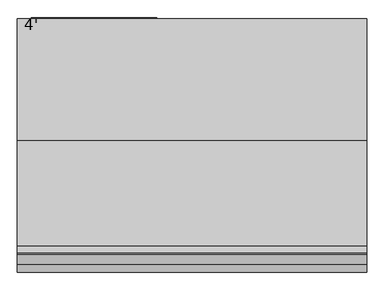
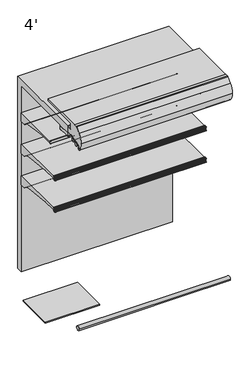
"""IFC4 building model written with IfcOpenShell, lengths in millimetres: proxy geometry, 4'."""

from ifc_helpers import new_model, si_unit, point, frame, frame_2d, origin, place, context, project, spatial, polyline, circle_curve, trimmed, segment, composite_curve, outline, extrude, source, transform, mapped, element, save
from ifc_brep_helpers import plane_surface, cylinder_surface, revolved_surface, advanced_brep


def proxy_4_c6ec7b34(model_context):
    return source(origin(), model_context, "Body", "SolidModel", [
        advanced_brep(
        [(1219.2, -953.4873974, 1188.3336206), (1219.2, -952.5185778, 1188.7146206), (1219.2, -953.6333414, 1191.5492791), (1219.2, -956.6955302, 1193.6427997), (1219.2, -959.1595285, 1193.6508058), (1219.2, -959.1595285, 1165.1089274), (1219.2, -961.2817196, 1162.6035261), (1219.2, -965.5436404, 1161.8992819), (1219.2, -968.2411887, 1165.5176966), (1219.2, -965.1539285, 1178.0739002), (1219.2, -965.1539285, 1193.6508058), (1219.2, -970.314443, 1193.6508058), (1219.2, -971.339509, 1193.1306533), (1219.2, -972.4224632, 1190.8805751), (1219.2, -971.4385536, 1190.6868672), (1219.2, -970.8449745, 1192.2840367), (1219.2, -969.9972085, 1192.4534439), (1219.2, -967.9567396, 1189.3559236), (1219.2, -967.0677396, 1189.3559236), (1219.2, -967.0677396, 1184.5415513), (1219.2, -966.2810398, 1184.3469249), (1219.2, -967.0803293, 1181.1161148), (1219.2, -967.1337108, 1178.0579707), (1219.2, -967.1768859, 1176.9354655), (1219.2, -967.3201998, 1175.2918474), (1219.2, -967.7783843, 1172.5359697), (1219.2, -968.1746064, 1170.9343994), (1219.2, -971.9864246, 1162.6566769), (1219.2, -972.8889174, 1162.7757838), (1219.2, -973.3695256, 1164.2215289), (1219.2, -974.339124, 1163.9575737), (1219.2, -973.9435731, 1162.8065372), (1219.2, -968.3206176, 1159.0474424), (1219.2, -955.7661201, 1161.1134934), (1219.2, -953.1994616, 1163.2422642), (1219.2, -952.2242271, 1165.9215536), (1219.2, -953.2266912, 1166.2864206), (1219.2, -954.0834067, 1164.4981573), (1219.2, -957.704454, 1165.4078872), (1219.2, -957.8263588, 1189.2180727), (1219.2, -954.1516029, 1190.0217197), (0.0, -953.4873974, 1188.3336206), (0.0, -954.1516029, 1190.0217197), (0.0, -957.8263588, 1189.2180727), (0.0, -957.704454, 1165.4078872), (0.0, -954.0834067, 1164.4981573), (0.0, -953.2266912, 1166.2864206), (0.0, -952.2242271, 1165.9215536), (0.0, -953.1994616, 1163.2422642), (0.0, -955.7661201, 1161.1134934), (0.0, -968.3206176, 1159.0474424), (0.0, -973.943554, 1162.8065458), (0.0, -974.339124, 1163.9575737), (0.0, -973.3695256, 1164.2215289), (0.0, -972.8889174, 1162.7757838), (0.0, -971.9864527, 1162.6566957), (0.0, -968.1746064, 1170.9343994), (0.0, -967.7783843, 1172.5359697), (0.0, -967.3201998, 1175.2918474), (0.0, -967.1768859, 1176.9354655), (0.0, -967.1337108, 1178.0579707), (0.0, -967.0803293, 1181.1161148), (0.0, -966.2810398, 1184.3469249), (0.0, -967.0677396, 1184.5415513), (0.0, -967.0677396, 1189.3559236), (0.0, -967.9567396, 1189.3559236), (0.0, -969.9972022, 1192.4534498), (0.0, -970.8449745, 1192.2840367), (0.0, -971.4385536, 1190.6868672), (0.0, -972.4224582, 1190.8805738), (0.0, -971.3395219, 1193.1306627), (0.0, -970.314443, 1193.6507933), (0.0, -965.1539285, 1193.6508058), (0.0, -965.1539285, 1178.0739002), (0.0, -968.2411887, 1165.5176966), (0.0, -965.5436404, 1161.8992819), (0.0, -961.2817196, 1162.6035261), (0.0, -959.1595285, 1165.1089274), (0.0, -959.1595285, 1193.6508058), (0.0, -956.6955302, 1193.6427997), (0.0, -953.6333414, 1191.5492791), (0.0, -952.5185778, 1188.7146206)],
        [
            (0, 1),
            (1, 2),
            (2, 3, circle_curve(frame((1219.2, -956.7062592, 1190.3408171), z_axis=(1.0, 0.0, 0.0), x_axis=(0.0, 1.0, 0.0)), 3.302)),
            (3, 4),
            (4, 5),
            (5, 6, circle_curve(frame((1219.2, -961.6995285, 1165.1089274), z_axis=(-1.0, 0.0, 0.0), x_axis=(0.0, 1.0, 0.0)), 2.54)),
            (6, 7),
            (7, 8, circle_curve(frame((1219.2, -965.9577369, 1164.4052966), z_axis=(-1.0, 0.0, 0.0), x_axis=(0.0, 1.0, 0.0)), 2.5399972)),
            (8, 9, circle_curve(frame((1219.2, -996.6337496, 1179.1563681), z_axis=(1.0, 0.0, 0.0), x_axis=(0.0, 1.0, 0.0)), 31.4984265)),
            (9, 10),
            (10, 11),
            (11, 12, circle_curve(frame((1219.2, -970.3145227, 1192.3808058), z_axis=(1.0, 0.0, 0.0), x_axis=(0.0, 1.0, 0.0)), 1.2699874)),
            (12, 13, circle_curve(frame((1219.2, -965.8048035, 1189.0812188), z_axis=(1.0, 0.0, 0.0), x_axis=(0.0, 1.0, 0.0)), 6.8579226)),
            (13, 14, circle_curve(frame((1219.2, -971.9374049, 1190.748678), z_axis=(1.0, 0.0, 0.0), x_axis=(0.0, 1.0, 0.0)), 0.5026661)),
            (14, 15),
            (15, 16, circle_curve(frame((1219.2, -970.3688025, 1192.10707), z_axis=(-1.0, 0.0, 0.0), x_axis=(0.0, 1.0, 0.0)), 0.5079931)),
            (16, 17, circle_curve(frame((1219.2, -978.1160311, 1184.8844276), z_axis=(-1.0, 0.0, 0.0), x_axis=(0.0, 1.0, 0.0)), 11.0997964)),
            (17, 18),
            (18, 19),
            (19, 20),
            (20, 21),
            (21, 22),
            (22, 23, circle_curve(frame((1219.2, -995.7036769, 1178.594778), z_axis=(-1.0, 0.0, 0.0), x_axis=(0.0, 1.0, 0.0)), 28.5750087)),
            (23, 24, circle_curve(frame((1219.2, -967.6415419, 1176.1479236), z_axis=(-1.0, 0.0, 0.0), x_axis=(0.0, 1.0, 0.0)), 0.9144)),
            (24, 25, circle_curve(frame((1219.2, -995.7036769, 1178.594778), z_axis=(-1.0, 0.0, 0.0), x_axis=(0.0, 1.0, 0.0)), 28.5750087)),
            (25, 26, circle_curve(frame((1219.2, -968.3594405, 1171.8299236), z_axis=(-1.0, 0.0, 0.0), x_axis=(0.0, 1.0, 0.0)), 0.9144)),
            (26, 27, circle_curve(frame((1219.2, -995.7036769, 1178.594778), z_axis=(-1.0, 0.0, 0.0), x_axis=(0.0, 1.0, 0.0)), 28.5750087)),
            (27, 28, circle_curve(frame((1219.2, -972.4081685, 1162.9399198), z_axis=(-1.0, 0.0, 0.0), x_axis=(0.0, 1.0, 0.0)), 0.5079962)),
            (28, 29),
            (29, 30, circle_curve(frame((1219.2, -973.8504313, 1164.075249), z_axis=(1.0, 0.0, 0.0), x_axis=(0.0, 1.0, 0.0)), 0.502661)),
            (30, 31, circle_curve(frame((1219.2, -967.6812793, 1165.602043), z_axis=(1.0, 0.0, 0.0), x_axis=(0.0, 1.0, 0.0)), 6.857928)),
            (31, 32, circle_curve(frame((1219.2, -968.1450833, 1165.3950076), z_axis=(1.0, 0.0, 0.0), x_axis=(0.0, 1.0, 0.0)), 6.3499919)),
            (32, 33),
            (33, 34, circle_curve(frame((1219.2, -956.302307, 1164.3716689), z_axis=(1.0, 0.0, 0.0), x_axis=(0.0, 1.0, 0.0)), 3.302)),
            (34, 35),
            (35, 36),
            (36, 37),
            (37, 38, circle_curve(frame((1219.2, -955.8014264, 1165.3212206), z_axis=(-1.0, 0.0, 0.0), x_axis=(0.0, 1.0, 0.0)), 1.905)),
            (38, 39, circle_curve(frame((1219.2, -1192.7045275, 1176.1101246), z_axis=(1.0, 0.0, 0.0), x_axis=(0.0, 1.0, 0.0)), 235.2436449)),
            (39, 40, circle_curve(frame((1219.2, -955.9243184, 1189.3242206), z_axis=(-1.0, 0.0, 0.0), x_axis=(0.0, 1.0, 0.0)), 1.905)),
            (40, 0),
            (41, 42),
            (42, 43, circle_curve(frame((0.0, -955.9243184, 1189.3242206), z_axis=(1.0, 0.0, 0.0), x_axis=(0.0, 1.0, 0.0)), 1.905)),
            (43, 44, circle_curve(frame((0.0, -1192.7045275, 1176.1101246), z_axis=(-1.0, 0.0, 0.0), x_axis=(0.0, 1.0, 0.0)), 235.2436449)),
            (44, 45, circle_curve(frame((0.0, -955.8014264, 1165.3212206), z_axis=(1.0, 0.0, 0.0), x_axis=(0.0, 1.0, 0.0)), 1.905)),
            (45, 46),
            (46, 47),
            (47, 48),
            (48, 49, circle_curve(frame((0.0, -956.302307, 1164.3716689), z_axis=(-1.0, 0.0, 0.0), x_axis=(0.0, 1.0, 0.0)), 3.302)),
            (49, 50),
            (50, 51, circle_curve(frame((0.0, -968.1450833, 1165.3950076), z_axis=(-1.0, 0.0, 0.0), x_axis=(0.0, 1.0, 0.0)), 6.3499919)),
            (51, 52, circle_curve(frame((0.0, -967.6812793, 1165.602043), z_axis=(-1.0, 0.0, 0.0), x_axis=(0.0, 1.0, 0.0)), 6.857928)),
            (52, 53, circle_curve(frame((0.0, -973.8504313, 1164.075249), z_axis=(-1.0, 0.0, 0.0), x_axis=(0.0, 1.0, 0.0)), 0.502661)),
            (53, 54),
            (54, 55, circle_curve(frame((0.0, -972.4081685, 1162.9399198), z_axis=(1.0, 0.0, 0.0), x_axis=(0.0, 1.0, 0.0)), 0.5079962)),
            (55, 56, circle_curve(frame((0.0, -995.7036769, 1178.594778), z_axis=(1.0, 0.0, 0.0), x_axis=(0.0, 1.0, 0.0)), 28.5750087)),
            (56, 57, circle_curve(frame((0.0, -968.3594405, 1171.8299236), z_axis=(1.0, 0.0, 0.0), x_axis=(0.0, 1.0, 0.0)), 0.9144)),
            (57, 58, circle_curve(frame((0.0, -995.7036769, 1178.594778), z_axis=(1.0, 0.0, 0.0), x_axis=(0.0, 1.0, 0.0)), 28.5750087)),
            (58, 59, circle_curve(frame((0.0, -967.6415419, 1176.1479236), z_axis=(1.0, 0.0, 0.0), x_axis=(0.0, 1.0, 0.0)), 0.9144)),
            (59, 60, circle_curve(frame((0.0, -995.7036769, 1178.594778), z_axis=(1.0, 0.0, 0.0), x_axis=(0.0, 1.0, 0.0)), 28.5750087)),
            (60, 61),
            (61, 62),
            (62, 63),
            (63, 64),
            (64, 65),
            (65, 66, circle_curve(frame((0.0, -978.1160311, 1184.8844276), z_axis=(1.0, 0.0, 0.0), x_axis=(0.0, 1.0, 0.0)), 11.0997964)),
            (66, 67, circle_curve(frame((0.0, -970.3688025, 1192.10707), z_axis=(1.0, 0.0, 0.0), x_axis=(0.0, 1.0, 0.0)), 0.5079931)),
            (67, 68),
            (68, 69, circle_curve(frame((0.0, -971.9374049, 1190.748678), z_axis=(-1.0, 0.0, 0.0), x_axis=(0.0, 1.0, 0.0)), 0.5026661)),
            (69, 70, circle_curve(frame((0.0, -965.8048035, 1189.0812188), z_axis=(-1.0, 0.0, 0.0), x_axis=(0.0, 1.0, 0.0)), 6.8579226)),
            (70, 71, circle_curve(frame((0.0, -970.3145227, 1192.3808058), z_axis=(-1.0, 0.0, 0.0), x_axis=(0.0, 1.0, 0.0)), 1.2699874)),
            (71, 72),
            (72, 73),
            (73, 74, circle_curve(frame((0.0, -996.6337496, 1179.1563681), z_axis=(-1.0, 0.0, 0.0), x_axis=(0.0, 1.0, 0.0)), 31.4984265)),
            (74, 75, circle_curve(frame((0.0, -965.9577369, 1164.4052966), z_axis=(1.0, 0.0, 0.0), x_axis=(0.0, 1.0, 0.0)), 2.5399972)),
            (75, 76),
            (76, 77, circle_curve(frame((0.0, -961.6995285, 1165.1089274), z_axis=(1.0, 0.0, 0.0), x_axis=(0.0, 1.0, 0.0)), 2.54)),
            (77, 78),
            (78, 79),
            (79, 80, circle_curve(frame((0.0, -956.7062592, 1190.3408171), z_axis=(-1.0, 0.0, 0.0), x_axis=(0.0, 1.0, 0.0)), 3.302)),
            (80, 81),
            (81, 41),
            (0, 41),
            (81, 1),
            (80, 2),
            (79, 3),
            (78, 4),
            (77, 5),
            (76, 6),
            (75, 7),
            (74, 8),
            (73, 9),
            (72, 10),
            (71, 11),
            (70, 12),
            (69, 13),
            (68, 14),
            (67, 15),
            (66, 16),
            (65, 17),
            (64, 18),
            (63, 19),
            (62, 20),
            (61, 21),
            (60, 22),
            (59, 23),
            (58, 24),
            (57, 25),
            (56, 26),
            (55, 27),
            (54, 28),
            (53, 29),
            (52, 30),
            (51, 31),
            (50, 32),
            (49, 33),
            (48, 34),
            (47, 35),
            (46, 36),
            (45, 37),
            (44, 38),
            (43, 39),
            (42, 40),
        ],
        [
            plane_surface(frame((1219.2, -952.5185778, 1188.7146206), z_axis=(1.0, 0.0, 0.0), x_axis=(0.0, 0.9306231900674232, 0.3659787946162082))),
            plane_surface(frame((0.0, -952.5185778, 1188.7146206), z_axis=(-1.0, 0.0, 0.0), x_axis=(0.0, -0.9306231900674232, -0.3659787946162082))),
            plane_surface(frame((1219.2, -953.4873974, 1188.3336206), z_axis=(0.0, 0.3659787946162082, -0.9306231900674232), x_axis=(-1.0, 0.0, 0.0))),
            plane_surface(frame((1219.2, -952.5185778, 1188.7146206), z_axis=(0.0, 0.9306231900759704, 0.3659787945944743), x_axis=(-1.0, 0.0, 0.0))),
            cylinder_surface(frame((0.0, -956.7062592, 1190.3408171), z_axis=(1.0, 0.0, 0.0), x_axis=(0.0, 1.0, 0.0)), 3.302),
            plane_surface(frame((1219.2, -956.6955302, 1193.6427997), z_axis=(0.0, 0.0032492421037266625, 0.9999947211989428), x_axis=(-1.0, 0.0, 0.0))),
            plane_surface(frame((1219.2, -959.1595285, 1193.6508058), z_axis=(0.0, -1.0, 0.0), x_axis=(-1.0, 0.0, 0.0))),
            revolved_surface(polyline([(0.0, -959.1595285000001, 1165.1089274), (1219.2, -959.1595285000001, 1165.1089274)]), (0.0, -961.6995285, 1165.1089274), (-1.0, 0.0, 0.0)),
            plane_surface(frame((1219.2, -961.2817196, 1162.6035261), z_axis=(0.0, -0.16303029417408857, 0.9866210636214444), x_axis=(-1.0, 0.0, 0.0))),
            revolved_surface(polyline([(0.0, -963.4177397, 1164.4052966), (1219.2, -963.4177397, 1164.4052966)]), (0.0, -965.9577369, 1164.4052966), (-1.0, 0.0, 0.0)),
            cylinder_surface(frame((0.0, -996.6337496, 1179.1563681), z_axis=(1.0, 0.0, 0.0), x_axis=(0.0, 1.0, 0.0)), 31.4984265),
            plane_surface(frame((1219.2, -965.1539285, 1178.0739002), z_axis=(0.0, 1.0, 0.0), x_axis=(-1.0, 0.0, 0.0))),
            plane_surface(frame((1219.2, -965.1539285, 1193.6508058), z_axis=(0.0, -1.119160319973389e-12, 1.0), x_axis=(-1.0, 0.0, 0.0))),
            cylinder_surface(frame((0.0, -970.3145227, 1192.3808058), z_axis=(1.0, 0.0, 0.0), x_axis=(0.0, 1.0, 0.0)), 1.2699874),
            cylinder_surface(frame((0.0, -965.8048035, 1189.0812188), z_axis=(1.0, 0.0, 0.0), x_axis=(0.0, 1.0, 0.0)), 6.8579226),
            cylinder_surface(frame((0.0, -971.9374049, 1190.748678), z_axis=(1.0, 0.0, 0.0), x_axis=(0.0, 1.0, 0.0)), 0.5026661),
            plane_surface(frame((1219.2, -971.4385536, 1190.6868672), z_axis=(0.0, 0.9373592211117492, -0.34836430729449747), x_axis=(-1.0, 0.0, 0.0))),
            revolved_surface(polyline([(0.0, -969.8608094, 1192.10707), (1219.2, -969.8608094, 1192.10707)]), (0.0, -970.3688025, 1192.10707), (-1.0, 0.0, 0.0)),
            revolved_surface(polyline([(0.0, -967.0162347, 1184.8844276), (1219.2, -967.0162347, 1184.8844276)]), (0.0, -978.1160311, 1184.8844276), (-1.0, 0.0, 0.0)),
            plane_surface(frame((1219.2, -967.9567396, 1189.3559236), z_axis=(0.0, 3.0451831539108525e-12, -1.0), x_axis=(-1.0, 0.0, 0.0))),
            plane_surface(frame((1219.2, -967.0677396, 1189.3559236), z_axis=(0.0, -1.0, 0.0), x_axis=(-1.0, 0.0, 0.0))),
            plane_surface(frame((1219.2, -967.0677396, 1184.5415513), z_axis=(0.0, -0.24015578728041675, -0.9707343600778348), x_axis=(-1.0, 0.0, 0.0))),
            plane_surface(frame((1219.2, -966.2810398, 1184.3469249), z_axis=(0.0, -0.9707343600778283, 0.2401557872804431), x_axis=(-1.0, 0.0, 0.0))),
            plane_surface(frame((1219.2, -967.0803293, 1181.1161148), z_axis=(0.0, -0.999847686821456, 0.017452883938876028), x_axis=(-1.0, 0.0, 0.0))),
            revolved_surface(polyline([(0.0, -967.1286682, 1178.594778), (1219.2, -967.1286682, 1178.594778)]), (0.0, -995.7036769, 1178.594778), (-1.0, 0.0, 0.0)),
            revolved_surface(polyline([(0.0, -966.7271419, 1176.1479236), (1219.2, -966.7271419, 1176.1479236)]), (0.0, -967.6415419, 1176.1479236), (-1.0, 0.0, 0.0)),
            revolved_surface(polyline([(0.0, -967.4450405, 1171.8299236), (1219.2, -967.4450405, 1171.8299236)]), (0.0, -968.3594405, 1171.8299236), (-1.0, 0.0, 0.0)),
            revolved_surface(polyline([(0.0, -971.9001723, 1162.9399198), (1219.2, -971.9001723, 1162.9399198)]), (0.0, -972.4081685, 1162.9399198), (-1.0, 0.0, 0.0)),
            plane_surface(frame((1219.2, -972.8889174, 1162.7757838), z_axis=(0.0, 0.9489403078347877, 0.31545568970367077), x_axis=(-1.0, 0.0, 0.0))),
            cylinder_surface(frame((0.0, -973.8504313, 1164.075249), z_axis=(1.0, 0.0, 0.0), x_axis=(0.0, 1.0, 0.0)), 0.502661),
            cylinder_surface(frame((0.0, -967.6812793, 1165.602043), z_axis=(1.0, 0.0, 0.0), x_axis=(0.0, 1.0, 0.0)), 6.857928),
            cylinder_surface(frame((0.0, -968.1450833, 1165.3950076), z_axis=(1.0, 0.0, 0.0), x_axis=(0.0, 1.0, 0.0)), 6.3499919),
            plane_surface(frame((1219.2, -968.3206176, 1159.0474424), z_axis=(0.0, 0.16238245504538304, -0.986727894757939), x_axis=(-1.0, 0.0, 0.0))),
            cylinder_surface(frame((0.0, -956.302307, 1164.3716689), z_axis=(1.0, 0.0, 0.0), x_axis=(0.0, 1.0, 0.0)), 3.302),
            plane_surface(frame((1219.2, -953.1994616, 1163.2422642), z_axis=(0.0, 0.9396866512804775, -0.3420365439617273), x_axis=(-1.0, 0.0, 0.0))),
            plane_surface(frame((1219.2, -952.2242271, 1165.9215536), z_axis=(0.0, 0.342020143308865, 0.9396926207920244), x_axis=(-1.0, 0.0, 0.0))),
            plane_surface(frame((1219.2, -953.2266912, 1166.2864206), z_axis=(0.0, -0.901847608486837, 0.43205426865912666), x_axis=(-1.0, 0.0, 0.0))),
            revolved_surface(polyline([(0.0, -953.8964264, 1165.3212206), (1219.2, -953.8964264, 1165.3212206)]), (0.0, -955.8014264, 1165.3212206), (-1.0, 0.0, 0.0)),
            cylinder_surface(frame((0.0, -1192.7045275, 1176.1101246), z_axis=(1.0, 0.0, 0.0), x_axis=(0.0, 1.0, 0.0)), 235.2436449),
            revolved_surface(polyline([(0.0, -954.0193184, 1189.3242206), (1219.2, -954.0193184, 1189.3242206)]), (0.0, -955.9243184, 1189.3242206), (-1.0, 0.0, 0.0)),
            plane_surface(frame((1219.2, -954.1516029, 1190.0217197), z_axis=(0.0, -0.9305593005414599, -0.3661412134351841), x_axis=(-1.0, 0.0, 0.0))),
        ],
        [
            (0, [[1, 2, 3, 4, 5, 6, 7, 8, 9, 10, 11, 12, 13, 14, 15, 16, 17, 18, 19, 20, 21, 22, 23, 24, 25, 26, 27, 28, 29, 30, 31, 32, 33, 34, 35, 36, 37, 38, 39, 40, 41]]),
            (1, [[42, 43, 44, 45, 46, 47, 48, 49, 50, 51, 52, 53, 54, 55, 56, 57, 58, 59, 60, 61, 62, 63, 64, 65, 66, 67, 68, 69, 70, 71, 72, 73, 74, 75, 76, 77, 78, 79, 80, 81, 82]]),
            (2, [[-1, 83, -82, 84]]),
            (3, [[-2, -84, -81, 85]]),
            (4, [[-3, -85, -80, 86]]),
            (5, [[-4, -86, -79, 87]]),
            (6, [[-5, -87, -78, 88]]),
            (7, [[-6, -88, -77, 89]]),
            (8, [[-7, -89, -76, 90]]),
            (9, [[-8, -90, -75, 91]]),
            (10, [[-9, -91, -74, 92]]),
            (11, [[-10, -92, -73, 93]]),
            (12, [[-11, -93, -72, 94]]),
            (13, [[-12, -94, -71, 95]]),
            (14, [[-13, -95, -70, 96]]),
            (15, [[-14, -96, -69, 97]]),
            (16, [[-15, -97, -68, 98]]),
            (17, [[-16, -98, -67, 99]]),
            (18, [[-17, -99, -66, 100]]),
            (19, [[-18, -100, -65, 101]]),
            (20, [[-19, -101, -64, 102]]),
            (21, [[-20, -102, -63, 103]]),
            (22, [[-21, -103, -62, 104]]),
            (23, [[-22, -104, -61, 105]]),
            (24, [[-23, -105, -60, 106]]),
            (25, [[-24, -106, -59, 107]]),
            (24, [[-25, -107, -58, 108]]),
            (26, [[-26, -108, -57, 109]]),
            (24, [[-27, -109, -56, 110]]),
            (27, [[-28, -110, -55, 111]]),
            (28, [[-29, -111, -54, 112]]),
            (29, [[-30, -112, -53, 113]]),
            (30, [[-31, -113, -52, 114]]),
            (31, [[-32, -114, -51, 115]]),
            (32, [[-33, -115, -50, 116]]),
            (33, [[-34, -116, -49, 117]]),
            (34, [[-35, -117, -48, 118]]),
            (35, [[-36, -118, -47, 119]]),
            (36, [[-37, -119, -46, 120]]),
            (37, [[-38, -120, -45, 121]]),
            (38, [[-39, -121, -44, 122]]),
            (39, [[-40, -122, -43, 123]]),
            (40, [[-41, -123, -42, -83]]),
        ],
    ),
        advanced_brep(
        [(1219.2, -953.4873974, 1456.3997549), (1219.2, -952.5185778, 1456.7807549), (1219.2, -953.6333414, 1459.6154133), (1219.2, -956.6955302, 1461.7089339), (1219.2, -959.1595285, 1461.7169401), (1219.2, -959.1595285, 1433.1750617), (1219.2, -961.2817196, 1430.6696604), (1219.2, -965.5436404, 1429.9654161), (1219.2, -968.2411887, 1433.5838309), (1219.2, -965.1539285, 1446.1400345), (1219.2, -965.1539285, 1461.7169401), (1219.2, -970.314443, 1461.7169401), (1219.2, -971.339509, 1461.1967875), (1219.2, -972.4224632, 1458.9467094), (1219.2, -971.4385536, 1458.7530014), (1219.2, -970.8449745, 1460.350171), (1219.2, -969.9972085, 1460.5195782), (1219.2, -967.9567396, 1457.4220579), (1219.2, -967.0677396, 1457.4220579), (1219.2, -967.0677396, 1452.6076856), (1219.2, -966.2810398, 1452.4130592), (1219.2, -967.0803293, 1449.1822491), (1219.2, -967.1337108, 1446.124105), (1219.2, -967.1768859, 1445.0015997), (1219.2, -967.3201998, 1443.3579816), (1219.2, -967.7783843, 1440.602104), (1219.2, -968.1746064, 1439.0005336), (1219.2, -971.9864246, 1430.7228111), (1219.2, -972.8889174, 1430.8419181), (1219.2, -973.3695256, 1432.2876631), (1219.2, -974.339124, 1432.0237079), (1219.2, -973.9435731, 1430.8726715), (1219.2, -968.3206176, 1427.1135766), (1219.2, -955.7661201, 1429.1796276), (1219.2, -953.1994616, 1431.3083984), (1219.2, -952.2242271, 1433.9876878), (1219.2, -953.2266912, 1434.3525549), (1219.2, -954.0834067, 1432.5642915), (1219.2, -957.704454, 1433.4740215), (1219.2, -957.8263588, 1457.2842069), (1219.2, -954.1516029, 1458.0878539), (0.0, -953.4873974, 1456.3997549), (0.0, -954.1516029, 1458.0878539), (0.0, -957.8263588, 1457.2842069), (0.0, -957.704454, 1433.4740215), (0.0, -954.0834067, 1432.5642915), (0.0, -953.2266912, 1434.3525549), (0.0, -952.2242271, 1433.9876878), (0.0, -953.1994616, 1431.3083984), (0.0, -955.7661201, 1429.1796276), (0.0, -968.3206176, 1427.1135766), (0.0, -973.943554, 1430.87268), (0.0, -974.339124, 1432.0237079), (0.0, -973.3695256, 1432.2876631), (0.0, -972.8889174, 1430.8419181), (0.0, -971.9864527, 1430.7228299), (0.0, -968.1746064, 1439.0005336), (0.0, -967.7783843, 1440.602104), (0.0, -967.3201998, 1443.3579816), (0.0, -967.1768859, 1445.0015997), (0.0, -967.1337108, 1446.124105), (0.0, -967.0803293, 1449.1822491), (0.0, -966.2810398, 1452.4130592), (0.0, -967.0677396, 1452.6076856), (0.0, -967.0677396, 1457.4220579), (0.0, -967.9567396, 1457.4220579), (0.0, -969.9972022, 1460.5195841), (0.0, -970.8449745, 1460.350171), (0.0, -971.4385536, 1458.7530014), (0.0, -972.4224582, 1458.946708), (0.0, -971.3395219, 1461.1967969), (0.0, -970.314443, 1461.7169275), (0.0, -965.1539285, 1461.7169401), (0.0, -965.1539285, 1446.1400345), (0.0, -968.2411887, 1433.5838309), (0.0, -965.5436404, 1429.9654161), (0.0, -961.2817196, 1430.6696604), (0.0, -959.1595285, 1433.1750617), (0.0, -959.1595285, 1461.7169401), (0.0, -956.6955302, 1461.7089339), (0.0, -953.6333414, 1459.6154133), (0.0, -952.5185778, 1456.7807549)],
        [
            (0, 1),
            (1, 2),
            (2, 3, circle_curve(frame((1219.2, -956.7062592, 1458.4069514), z_axis=(1.0, 0.0, 0.0), x_axis=(0.0, 1.0, 0.0)), 3.302)),
            (3, 4),
            (4, 5),
            (5, 6, circle_curve(frame((1219.2, -961.6995285, 1433.1750617), z_axis=(-1.0, 0.0, 0.0), x_axis=(0.0, 1.0, 0.0)), 2.54)),
            (6, 7),
            (7, 8, circle_curve(frame((1219.2, -965.9577369, 1432.4714309), z_axis=(-1.0, 0.0, 0.0), x_axis=(0.0, 1.0, 0.0)), 2.5399972)),
            (8, 9, circle_curve(frame((1219.2, -996.6337496, 1447.2225023), z_axis=(1.0, 0.0, 0.0), x_axis=(0.0, 1.0, 0.0)), 31.4984265)),
            (9, 10),
            (10, 11),
            (11, 12, circle_curve(frame((1219.2, -970.3145227, 1460.4469401), z_axis=(1.0, 0.0, 0.0), x_axis=(0.0, 1.0, 0.0)), 1.2699874)),
            (12, 13, circle_curve(frame((1219.2, -965.8048035, 1457.1473531), z_axis=(1.0, 0.0, 0.0), x_axis=(0.0, 1.0, 0.0)), 6.8579226)),
            (13, 14, circle_curve(frame((1219.2, -971.9374049, 1458.8148123), z_axis=(1.0, 0.0, 0.0), x_axis=(0.0, 1.0, 0.0)), 0.5026661)),
            (14, 15),
            (15, 16, circle_curve(frame((1219.2, -970.3688025, 1460.1732043), z_axis=(-1.0, 0.0, 0.0), x_axis=(0.0, 1.0, 0.0)), 0.5079931)),
            (16, 17, circle_curve(frame((1219.2, -978.1160311, 1452.9505619), z_axis=(-1.0, 0.0, 0.0), x_axis=(0.0, 1.0, 0.0)), 11.0997964)),
            (17, 18),
            (18, 19),
            (19, 20),
            (20, 21),
            (21, 22),
            (22, 23, circle_curve(frame((1219.2, -995.7036769, 1446.6609123), z_axis=(-1.0, 0.0, 0.0), x_axis=(0.0, 1.0, 0.0)), 28.5750087)),
            (23, 24, circle_curve(frame((1219.2, -967.6415419, 1444.2140579), z_axis=(-1.0, 0.0, 0.0), x_axis=(0.0, 1.0, 0.0)), 0.9144)),
            (24, 25, circle_curve(frame((1219.2, -995.7036769, 1446.6609123), z_axis=(-1.0, 0.0, 0.0), x_axis=(0.0, 1.0, 0.0)), 28.5750087)),
            (25, 26, circle_curve(frame((1219.2, -968.3594405, 1439.8960579), z_axis=(-1.0, 0.0, 0.0), x_axis=(0.0, 1.0, 0.0)), 0.9144)),
            (26, 27, circle_curve(frame((1219.2, -995.7036769, 1446.6609123), z_axis=(-1.0, 0.0, 0.0), x_axis=(0.0, 1.0, 0.0)), 28.5750087)),
            (27, 28, circle_curve(frame((1219.2, -972.4081685, 1431.0060541), z_axis=(-1.0, 0.0, 0.0), x_axis=(0.0, 1.0, 0.0)), 0.5079962)),
            (28, 29),
            (29, 30, circle_curve(frame((1219.2, -973.8504313, 1432.1413833), z_axis=(1.0, 0.0, 0.0), x_axis=(0.0, 1.0, 0.0)), 0.502661)),
            (30, 31, circle_curve(frame((1219.2, -967.6812793, 1433.6681773), z_axis=(1.0, 0.0, 0.0), x_axis=(0.0, 1.0, 0.0)), 6.857928)),
            (31, 32, circle_curve(frame((1219.2, -968.1450833, 1433.4611419), z_axis=(1.0, 0.0, 0.0), x_axis=(0.0, 1.0, 0.0)), 6.3499919)),
            (32, 33),
            (33, 34, circle_curve(frame((1219.2, -956.302307, 1432.4378031), z_axis=(1.0, 0.0, 0.0), x_axis=(0.0, 1.0, 0.0)), 3.302)),
            (34, 35),
            (35, 36),
            (36, 37),
            (37, 38, circle_curve(frame((1219.2, -955.8014264, 1433.3873549), z_axis=(-1.0, 0.0, 0.0), x_axis=(0.0, 1.0, 0.0)), 1.905)),
            (38, 39, circle_curve(frame((1219.2, -1192.7045275, 1444.1762589), z_axis=(1.0, 0.0, 0.0), x_axis=(0.0, 1.0, 0.0)), 235.2436449)),
            (39, 40, circle_curve(frame((1219.2, -955.9243184, 1457.3903549), z_axis=(-1.0, 0.0, 0.0), x_axis=(0.0, 1.0, 0.0)), 1.905)),
            (40, 0),
            (41, 42),
            (42, 43, circle_curve(frame((0.0, -955.9243184, 1457.3903549), z_axis=(1.0, 0.0, 0.0), x_axis=(0.0, 1.0, 0.0)), 1.905)),
            (43, 44, circle_curve(frame((0.0, -1192.7045275, 1444.1762589), z_axis=(-1.0, 0.0, 0.0), x_axis=(0.0, 1.0, 0.0)), 235.2436449)),
            (44, 45, circle_curve(frame((0.0, -955.8014264, 1433.3873549), z_axis=(1.0, 0.0, 0.0), x_axis=(0.0, 1.0, 0.0)), 1.905)),
            (45, 46),
            (46, 47),
            (47, 48),
            (48, 49, circle_curve(frame((0.0, -956.302307, 1432.4378031), z_axis=(-1.0, 0.0, 0.0), x_axis=(0.0, 1.0, 0.0)), 3.302)),
            (49, 50),
            (50, 51, circle_curve(frame((0.0, -968.1450833, 1433.4611419), z_axis=(-1.0, 0.0, 0.0), x_axis=(0.0, 1.0, 0.0)), 6.3499919)),
            (51, 52, circle_curve(frame((0.0, -967.6812793, 1433.6681773), z_axis=(-1.0, 0.0, 0.0), x_axis=(0.0, 1.0, 0.0)), 6.857928)),
            (52, 53, circle_curve(frame((0.0, -973.8504313, 1432.1413833), z_axis=(-1.0, 0.0, 0.0), x_axis=(0.0, 1.0, 0.0)), 0.502661)),
            (53, 54),
            (54, 55, circle_curve(frame((0.0, -972.4081685, 1431.0060541), z_axis=(1.0, 0.0, 0.0), x_axis=(0.0, 1.0, 0.0)), 0.5079962)),
            (55, 56, circle_curve(frame((0.0, -995.7036769, 1446.6609123), z_axis=(1.0, 0.0, 0.0), x_axis=(0.0, 1.0, 0.0)), 28.5750087)),
            (56, 57, circle_curve(frame((0.0, -968.3594405, 1439.8960579), z_axis=(1.0, 0.0, 0.0), x_axis=(0.0, 1.0, 0.0)), 0.9144)),
            (57, 58, circle_curve(frame((0.0, -995.7036769, 1446.6609123), z_axis=(1.0, 0.0, 0.0), x_axis=(0.0, 1.0, 0.0)), 28.5750087)),
            (58, 59, circle_curve(frame((0.0, -967.6415419, 1444.2140579), z_axis=(1.0, 0.0, 0.0), x_axis=(0.0, 1.0, 0.0)), 0.9144)),
            (59, 60, circle_curve(frame((0.0, -995.7036769, 1446.6609123), z_axis=(1.0, 0.0, 0.0), x_axis=(0.0, 1.0, 0.0)), 28.5750087)),
            (60, 61),
            (61, 62),
            (62, 63),
            (63, 64),
            (64, 65),
            (65, 66, circle_curve(frame((0.0, -978.1160311, 1452.9505619), z_axis=(1.0, 0.0, 0.0), x_axis=(0.0, 1.0, 0.0)), 11.0997964)),
            (66, 67, circle_curve(frame((0.0, -970.3688025, 1460.1732043), z_axis=(1.0, 0.0, 0.0), x_axis=(0.0, 1.0, 0.0)), 0.5079931)),
            (67, 68),
            (68, 69, circle_curve(frame((0.0, -971.9374049, 1458.8148123), z_axis=(-1.0, 0.0, 0.0), x_axis=(0.0, 1.0, 0.0)), 0.5026661)),
            (69, 70, circle_curve(frame((0.0, -965.8048035, 1457.1473531), z_axis=(-1.0, 0.0, 0.0), x_axis=(0.0, 1.0, 0.0)), 6.8579226)),
            (70, 71, circle_curve(frame((0.0, -970.3145227, 1460.4469401), z_axis=(-1.0, 0.0, 0.0), x_axis=(0.0, 1.0, 0.0)), 1.2699874)),
            (71, 72),
            (72, 73),
            (73, 74, circle_curve(frame((0.0, -996.6337496, 1447.2225023), z_axis=(-1.0, 0.0, 0.0), x_axis=(0.0, 1.0, 0.0)), 31.4984265)),
            (74, 75, circle_curve(frame((0.0, -965.9577369, 1432.4714309), z_axis=(1.0, 0.0, 0.0), x_axis=(0.0, 1.0, 0.0)), 2.5399972)),
            (75, 76),
            (76, 77, circle_curve(frame((0.0, -961.6995285, 1433.1750617), z_axis=(1.0, 0.0, 0.0), x_axis=(0.0, 1.0, 0.0)), 2.54)),
            (77, 78),
            (78, 79),
            (79, 80, circle_curve(frame((0.0, -956.7062592, 1458.4069514), z_axis=(-1.0, 0.0, 0.0), x_axis=(0.0, 1.0, 0.0)), 3.302)),
            (80, 81),
            (81, 41),
            (0, 41),
            (81, 1),
            (80, 2),
            (79, 3),
            (78, 4),
            (77, 5),
            (76, 6),
            (75, 7),
            (74, 8),
            (73, 9),
            (72, 10),
            (71, 11),
            (70, 12),
            (69, 13),
            (68, 14),
            (67, 15),
            (66, 16),
            (65, 17),
            (64, 18),
            (63, 19),
            (62, 20),
            (61, 21),
            (60, 22),
            (59, 23),
            (58, 24),
            (57, 25),
            (56, 26),
            (55, 27),
            (54, 28),
            (53, 29),
            (52, 30),
            (51, 31),
            (50, 32),
            (49, 33),
            (48, 34),
            (47, 35),
            (46, 36),
            (45, 37),
            (44, 38),
            (43, 39),
            (42, 40),
        ],
        [
            plane_surface(frame((1219.2, -952.5185778, 1456.7807549), z_axis=(1.0, 0.0, 0.0), x_axis=(0.0, 0.9306231900674675, 0.36597879461609556))),
            plane_surface(frame((0.0, -952.5185778, 1456.7807549), z_axis=(-1.0, 0.0, 0.0), x_axis=(0.0, -0.9306231900674675, -0.36597879461609556))),
            plane_surface(frame((1219.2, -953.4873974, 1456.3997549), z_axis=(0.0, 0.36597879461609556, -0.9306231900674675), x_axis=(-1.0, 0.0, 0.0))),
            plane_surface(frame((1219.2, -952.5185778, 1456.7807549), z_axis=(0.0, 0.9306231900759823, 0.365978794594444), x_axis=(-1.0, 0.0, 0.0))),
            cylinder_surface(frame((0.0, -956.7062592, 1458.4069514), z_axis=(1.0, 0.0, 0.0), x_axis=(0.0, 1.0, 0.0)), 3.302),
            plane_surface(frame((1219.2, -956.6955302, 1461.7089339), z_axis=(0.0, 0.0032492421037266625, 0.9999947211989428), x_axis=(-1.0, 0.0, 0.0))),
            plane_surface(frame((1219.2, -959.1595285, 1461.7169401), z_axis=(0.0, -1.0, 0.0), x_axis=(-1.0, 0.0, 0.0))),
            revolved_surface(polyline([(0.0, -959.1595285000001, 1433.1750617), (1219.2, -959.1595285000001, 1433.1750617)]), (0.0, -961.6995285, 1433.1750617), (-1.0, 0.0, 0.0)),
            plane_surface(frame((1219.2, -961.2817196, 1430.6696604), z_axis=(0.0, -0.16303029417402248, 0.9866210636214553), x_axis=(-1.0, 0.0, 0.0))),
            revolved_surface(polyline([(0.0, -963.4177397, 1432.4714309), (1219.2, -963.4177397, 1432.4714309)]), (0.0, -965.9577369, 1432.4714309), (-1.0, 0.0, 0.0)),
            cylinder_surface(frame((0.0, -996.6337496, 1447.2225023), z_axis=(1.0, 0.0, 0.0), x_axis=(0.0, 1.0, 0.0)), 31.4984265),
            plane_surface(frame((1219.2, -965.1539285, 1446.1400345), z_axis=(0.0, 1.0, 0.0), x_axis=(-1.0, 0.0, 0.0))),
            plane_surface(frame((1219.2, -965.1539285, 1461.7169401), z_axis=(0.0, -1.119160319973389e-12, 1.0), x_axis=(-1.0, 0.0, 0.0))),
            cylinder_surface(frame((0.0, -970.3145227, 1460.4469401), z_axis=(1.0, 0.0, 0.0), x_axis=(0.0, 1.0, 0.0)), 1.2699874),
            cylinder_surface(frame((0.0, -965.8048035, 1457.1473531), z_axis=(1.0, 0.0, 0.0), x_axis=(0.0, 1.0, 0.0)), 6.8579226),
            cylinder_surface(frame((0.0, -971.9374049, 1458.8148123), z_axis=(1.0, 0.0, 0.0), x_axis=(0.0, 1.0, 0.0)), 0.5026661),
            plane_surface(frame((1219.2, -971.4385536, 1458.7530014), z_axis=(0.0, 0.9373592211117492, -0.34836430729449747), x_axis=(-1.0, 0.0, 0.0))),
            revolved_surface(polyline([(0.0, -969.8608094, 1460.1732043), (1219.2, -969.8608094, 1460.1732043)]), (0.0, -970.3688025, 1460.1732043), (-1.0, 0.0, 0.0)),
            revolved_surface(polyline([(0.0, -967.0162347, 1452.9505619), (1219.2, -967.0162347, 1452.9505619)]), (0.0, -978.1160311, 1452.9505619), (-1.0, 0.0, 0.0)),
            plane_surface(frame((1219.2, -967.9567396, 1457.4220579), z_axis=(0.0, 3.0451831539108525e-12, -1.0), x_axis=(-1.0, 0.0, 0.0))),
            plane_surface(frame((1219.2, -967.0677396, 1457.4220579), z_axis=(0.0, -1.0, 0.0), x_axis=(-1.0, 0.0, 0.0))),
            plane_surface(frame((1219.2, -967.0677396, 1452.6076856), z_axis=(0.0, -0.24015578728025933, -0.9707343600778736), x_axis=(-1.0, 0.0, 0.0))),
            plane_surface(frame((1219.2, -966.2810398, 1452.4130592), z_axis=(0.0, -0.9707343600778305, 0.2401557872804336), x_axis=(-1.0, 0.0, 0.0))),
            plane_surface(frame((1219.2, -967.0803293, 1449.1822491), z_axis=(0.0, -0.9998476868214559, 0.017452883938876798), x_axis=(-1.0, 0.0, 0.0))),
            revolved_surface(polyline([(0.0, -967.1286682, 1446.6609123), (1219.2, -967.1286682, 1446.6609123)]), (0.0, -995.7036769, 1446.6609123), (-1.0, 0.0, 0.0)),
            revolved_surface(polyline([(0.0, -966.7271419, 1444.2140579), (1219.2, -966.7271419, 1444.2140579)]), (0.0, -967.6415419, 1444.2140579), (-1.0, 0.0, 0.0)),
            revolved_surface(polyline([(0.0, -967.4450405, 1439.8960579), (1219.2, -967.4450405, 1439.8960579)]), (0.0, -968.3594405, 1439.8960579), (-1.0, 0.0, 0.0)),
            revolved_surface(polyline([(0.0, -971.9001723, 1431.0060541), (1219.2, -971.9001723, 1431.0060541)]), (0.0, -972.4081685, 1431.0060541), (-1.0, 0.0, 0.0)),
            plane_surface(frame((1219.2, -972.8889174, 1430.8419181), z_axis=(0.0, 0.9489403078347877, 0.31545568970367077), x_axis=(-1.0, 0.0, 0.0))),
            cylinder_surface(frame((0.0, -973.8504313, 1432.1413833), z_axis=(1.0, 0.0, 0.0), x_axis=(0.0, 1.0, 0.0)), 0.502661),
            cylinder_surface(frame((0.0, -967.6812793, 1433.6681773), z_axis=(1.0, 0.0, 0.0), x_axis=(0.0, 1.0, 0.0)), 6.857928),
            cylinder_surface(frame((0.0, -968.1450833, 1433.4611419), z_axis=(1.0, 0.0, 0.0), x_axis=(0.0, 1.0, 0.0)), 6.3499919),
            plane_surface(frame((1219.2, -968.3206176, 1427.1135766), z_axis=(0.0, 0.1623824550453934, -0.9867278947579372), x_axis=(-1.0, 0.0, 0.0))),
            cylinder_surface(frame((0.0, -956.302307, 1432.4378031), z_axis=(1.0, 0.0, 0.0), x_axis=(0.0, 1.0, 0.0)), 3.302),
            plane_surface(frame((1219.2, -953.1994616, 1431.3083984), z_axis=(0.0, 0.9396866512804775, -0.3420365439617273), x_axis=(-1.0, 0.0, 0.0))),
            plane_surface(frame((1219.2, -952.2242271, 1433.9876878), z_axis=(0.0, 0.342020143308865, 0.9396926207920244), x_axis=(-1.0, 0.0, 0.0))),
            plane_surface(frame((1219.2, -953.2266912, 1434.3525549), z_axis=(0.0, -0.9018476084868497, 0.4320542686591001), x_axis=(-1.0, 0.0, 0.0))),
            revolved_surface(polyline([(0.0, -953.8964264, 1433.3873549), (1219.2, -953.8964264, 1433.3873549)]), (0.0, -955.8014264, 1433.3873549), (-1.0, 0.0, 0.0)),
            cylinder_surface(frame((0.0, -1192.7045275, 1444.1762589), z_axis=(1.0, 0.0, 0.0), x_axis=(0.0, 1.0, 0.0)), 235.2436449),
            revolved_surface(polyline([(0.0, -954.0193184, 1457.3903549), (1219.2, -954.0193184, 1457.3903549)]), (0.0, -955.9243184, 1457.3903549), (-1.0, 0.0, 0.0)),
            plane_surface(frame((1219.2, -954.1516029, 1458.0878539), z_axis=(0.0, -0.93055930054145, -0.36614121343520956), x_axis=(-1.0, 0.0, 0.0))),
        ],
        [
            (0, [[1, 2, 3, 4, 5, 6, 7, 8, 9, 10, 11, 12, 13, 14, 15, 16, 17, 18, 19, 20, 21, 22, 23, 24, 25, 26, 27, 28, 29, 30, 31, 32, 33, 34, 35, 36, 37, 38, 39, 40, 41]]),
            (1, [[42, 43, 44, 45, 46, 47, 48, 49, 50, 51, 52, 53, 54, 55, 56, 57, 58, 59, 60, 61, 62, 63, 64, 65, 66, 67, 68, 69, 70, 71, 72, 73, 74, 75, 76, 77, 78, 79, 80, 81, 82]]),
            (2, [[-1, 83, -82, 84]]),
            (3, [[-2, -84, -81, 85]]),
            (4, [[-3, -85, -80, 86]]),
            (5, [[-4, -86, -79, 87]]),
            (6, [[-5, -87, -78, 88]]),
            (7, [[-6, -88, -77, 89]]),
            (8, [[-7, -89, -76, 90]]),
            (9, [[-8, -90, -75, 91]]),
            (10, [[-9, -91, -74, 92]]),
            (11, [[-10, -92, -73, 93]]),
            (12, [[-11, -93, -72, 94]]),
            (13, [[-12, -94, -71, 95]]),
            (14, [[-13, -95, -70, 96]]),
            (15, [[-14, -96, -69, 97]]),
            (16, [[-15, -97, -68, 98]]),
            (17, [[-16, -98, -67, 99]]),
            (18, [[-17, -99, -66, 100]]),
            (19, [[-18, -100, -65, 101]]),
            (20, [[-19, -101, -64, 102]]),
            (21, [[-20, -102, -63, 103]]),
            (22, [[-21, -103, -62, 104]]),
            (23, [[-22, -104, -61, 105]]),
            (24, [[-23, -105, -60, 106]]),
            (25, [[-24, -106, -59, 107]]),
            (24, [[-25, -107, -58, 108]]),
            (26, [[-26, -108, -57, 109]]),
            (24, [[-27, -109, -56, 110]]),
            (27, [[-28, -110, -55, 111]]),
            (28, [[-29, -111, -54, 112]]),
            (29, [[-30, -112, -53, 113]]),
            (30, [[-31, -113, -52, 114]]),
            (31, [[-32, -114, -51, 115]]),
            (32, [[-33, -115, -50, 116]]),
            (33, [[-34, -116, -49, 117]]),
            (34, [[-35, -117, -48, 118]]),
            (35, [[-36, -118, -47, 119]]),
            (36, [[-37, -119, -46, 120]]),
            (37, [[-38, -120, -45, 121]]),
            (38, [[-39, -121, -44, 122]]),
            (39, [[-40, -122, -43, 123]]),
            (40, [[-41, -123, -42, -83]]),
        ],
    ),
        extrude(outline(composite_curve([segment(trimmed(circle_curve(frame_2d((-536.2729198, 1133.3037953)), 25.4), [point((-535.8410838, 1107.9074665))], [point((-552.2502761, 1113.5583126))], False, "CARTESIAN"), True, "CONTINUOUS"), segment(polyline([(-552.2502761, 1113.5583126), (-570.1023372, 1128.0035781)]), True, "CONTINUOUS"), segment(trimmed(circle_curve(frame_2d((-610.0457279, 1078.6398714)), 63.5), [point((-570.1023372, 1128.0035781))], [point((-602.1478466, 1141.6468033))], True, "CARTESIAN"), True, "CONTINUOUS"), segment(polyline([(-602.1478466, 1141.6468033), (-835.4355203, 1165.4310619), (-835.4355203, 1168.7844928), (-954.2108051, 1168.7844928), (-954.8655599, 1165.0711937)]), True, "CONTINUOUS"), segment(trimmed(circle_curve(frame_2d((-956.153787, 1165.2983428)), 1.3081), [point((-954.8655599, 1165.0711937))], [point((-957.461887, 1165.2983428))], False, "CARTESIAN"), True, "CONTINUOUS"), segment(polyline([(-957.461887, 1165.2983428), (-957.461887, 1189.4507797)]), True, "CONTINUOUS"), segment(trimmed(circle_curve(frame_2d((-956.6845498, 1189.4507797)), 0.7773372), [point((-957.461887, 1189.4507797))], [point((-955.9072126, 1189.4507797))], False, "CARTESIAN"), True, "CONTINUOUS"), segment(polyline([(-955.9072126, 1189.4507797), (-955.9072126, 1188.6020019)]), True, "CONTINUOUS"), segment(trimmed(circle_curve(frame_2d((-951.0617588, 1188.6020019)), 4.8454538), [point((-955.9072126, 1188.6020019))], [point((-951.0838062, 1183.7565983))], True, "CARTESIAN"), True, "CONTINUOUS"), segment(polyline([(-951.0838062, 1183.7565983), (-500.2639658, 1183.7565983), (-500.2639658, 1107.9074665), (-535.8410838, 1107.9074665)]), True, "CONTINUOUS")], self_intersect=False)), frame((0.0, 0.0, 0.0), z_axis=(1.0, 0.0, 0.0), x_axis=(0.0, 1.0, 0.0)), (0.0, 0.0, 1.0), 1219.2),
        extrude(outline(composite_curve([segment(trimmed(circle_curve(frame_2d((-536.2729198, 1672.2638087)), 25.4), [point((-535.8410838, 1646.8674799))], [point((-552.2502761, 1652.518326))], False, "CARTESIAN"), True, "CONTINUOUS"), segment(polyline([(-552.2502761, 1652.518326), (-570.1023372, 1666.9635916)]), True, "CONTINUOUS"), segment(trimmed(circle_curve(frame_2d((-610.0457279, 1617.5998848)), 63.5), [point((-570.1023372, 1666.9635916))], [point((-600.4933507, 1680.3772859))], True, "CARTESIAN"), True, "CONTINUOUS"), segment(polyline([(-600.4933507, 1680.3772859), (-784.6412524, 1704.3779278), (-784.6412524, 1707.7445062), (-903.4165372, 1707.7445062), (-904.071292, 1704.0312071)]), True, "CONTINUOUS"), segment(trimmed(circle_curve(frame_2d((-905.359519, 1704.2583562)), 1.3081), [point((-904.071292, 1704.0312071))], [point((-906.667619, 1704.2583562))], False, "CARTESIAN"), True, "CONTINUOUS"), segment(polyline([(-906.667619, 1704.2583562), (-906.667619, 1728.4107931)]), True, "CONTINUOUS"), segment(trimmed(circle_curve(frame_2d((-905.8902818, 1728.4107931)), 0.7773372), [point((-906.667619, 1728.4107931))], [point((-905.1129446, 1728.4107931))], False, "CARTESIAN"), True, "CONTINUOUS"), segment(polyline([(-905.1129446, 1728.4107931), (-905.1129446, 1727.5620153)]), True, "CONTINUOUS"), segment(trimmed(circle_curve(frame_2d((-900.2674909, 1727.5620153)), 4.8454538), [point((-905.1129446, 1727.5620153))], [point((-900.2895383, 1722.7166117))], True, "CARTESIAN"), True, "CONTINUOUS"), segment(polyline([(-900.2895383, 1722.7166117), (-500.2639658, 1722.7166117), (-500.2639658, 1646.8674799), (-535.8410838, 1646.8674799)]), True, "CONTINUOUS")], self_intersect=False)), frame((0.0, 0.0, 0.0), z_axis=(1.0, 0.0, 0.0), x_axis=(0.0, 1.0, 0.0)), (0.0, 0.0, 1.0), 1219.2),
        extrude(outline(composite_curve([segment(trimmed(circle_curve(frame_2d((-536.2729198, 1401.356035)), 25.4), [point((-535.8410838, 1375.9597062))], [point((-552.2502761, 1381.6105523))], False, "CARTESIAN"), True, "CONTINUOUS"), segment(polyline([(-552.2502761, 1381.6105523), (-570.1023372, 1396.0558178)]), True, "CONTINUOUS"), segment(trimmed(circle_curve(frame_2d((-610.0457279, 1346.6921111)), 63.5), [point((-570.1023372, 1396.0558178))], [point((-602.1478466, 1409.699043))], True, "CARTESIAN"), True, "CONTINUOUS"), segment(polyline([(-602.1478466, 1409.699043), (-835.4355203, 1433.4833016), (-835.4355203, 1436.8367325), (-954.2108051, 1436.8367325), (-954.8655599, 1433.1234333)]), True, "CONTINUOUS"), segment(trimmed(circle_curve(frame_2d((-956.153787, 1433.3505825)), 1.3081), [point((-954.8655599, 1433.1234333))], [point((-957.461887, 1433.3505825))], False, "CARTESIAN"), True, "CONTINUOUS"), segment(polyline([(-957.461887, 1433.3505825), (-957.461887, 1457.5030194)]), True, "CONTINUOUS"), segment(trimmed(circle_curve(frame_2d((-956.6845498, 1457.5030194)), 0.7773372), [point((-957.461887, 1457.5030194))], [point((-955.9072126, 1457.5030194))], False, "CARTESIAN"), True, "CONTINUOUS"), segment(polyline([(-955.9072126, 1457.5030194), (-955.9072126, 1456.6542416)]), True, "CONTINUOUS"), segment(trimmed(circle_curve(frame_2d((-951.0617588, 1456.6542416)), 4.8454538), [point((-955.9072126, 1456.6542416))], [point((-951.0838062, 1451.808838))], True, "CARTESIAN"), True, "CONTINUOUS"), segment(polyline([(-951.0838062, 1451.808838), (-500.2639658, 1451.808838), (-500.2639658, 1375.9597062), (-535.8410838, 1375.9597062)]), True, "CONTINUOUS")], self_intersect=False)), frame((0.0, 0.0, 0.0), z_axis=(1.0, 0.0, 0.0), x_axis=(0.0, 1.0, 0.0)), (0.0, 0.0, 1.0), 1219.2),
        extrude(outline(polyline([(486.171875, -754.415012), (48.021875, -754.415012), (48.021875, -447.329012), (486.171875, -447.329012), (486.171875, -754.415012)])), frame((0.0, 0.0, 68.5310382), z_axis=(0.0, 0.0, 1.0), x_axis=(1.0, 0.0, 0.0)), (0.0, 0.0, 1.0), 6.35),
        extrude(outline(polyline([(1219.2, -1043.857807), (1219.2, -1145.4578064), (0.0, -1145.4578064), (0.0, -1043.857807), (1219.2, -1043.857807)])), frame((0.0, 0.0, 1914.8664093), z_axis=(0.0, 0.0, 1.0), x_axis=(1.0, 0.0, 0.0)), (0.0, 0.0, 1.0), 25.3999935),
        extrude(outline(composite_curve([segment(polyline([(-451.7851762, 367.1756257), (-500.2639658, 367.1756257), (-500.2639658, 1949.9895757), (-1043.222807, 1949.9895757), (-1043.222807, 1912.6450166)]), True, "CONTINUOUS"), segment(trimmed(circle_curve(frame_2d((-1045.445098, 1912.6450166)), 2.2222909), [point((-1043.222807, 1912.6450166))], [point((-1045.445098, 1910.4227257))], False, "CARTESIAN"), True, "CONTINUOUS"), segment(polyline([(-1045.445098, 1910.4227257), (-1057.882775, 1910.4227257)]), True, "CONTINUOUS"), segment(trimmed(circle_curve(frame_2d((-1057.882775, 1910.7402257)), 0.3175), [point((-1057.882775, 1910.4227257))], [point((-1057.882775, 1911.0577257))], False, "CARTESIAN"), True, "CONTINUOUS"), segment(polyline([(-1057.882775, 1911.0577257), (-1045.445307, 1911.0577257)]), True, "CONTINUOUS"), segment(trimmed(circle_curve(frame_2d((-1045.445307, 1912.6452257)), 1.5875), [point((-1045.445307, 1911.0577257))], [point((-1043.857807, 1912.6452257))], True, "CARTESIAN"), True, "CONTINUOUS"), segment(polyline([(-1043.857807, 1912.6452257), (-1043.857807, 1940.2664016), (-1146.8484725, 1940.2664028), (-1146.8484725, 1912.6452257)]), True, "CONTINUOUS"), segment(trimmed(circle_curve(frame_2d((-1145.2609725, 1912.6452257)), 1.5875), [point((-1146.8484725, 1912.6452257))], [point((-1145.2609725, 1911.0577257))], True, "CARTESIAN"), True, "CONTINUOUS"), segment(polyline([(-1145.2609725, 1911.0577257), (-1136.2482021, 1911.0577257)]), True, "CONTINUOUS"), segment(trimmed(circle_curve(frame_2d((-1136.2482021, 1910.7402257)), 0.3175), [point((-1136.2482021, 1911.0577257))], [point((-1136.2482021, 1910.4227257))], False, "CARTESIAN"), True, "CONTINUOUS"), segment(polyline([(-1136.2482021, 1910.4227257), (-1145.2611816, 1910.4227257)]), True, "CONTINUOUS"), segment(trimmed(circle_curve(frame_2d((-1145.2611816, 1912.6450167)), 2.2222909), [point((-1145.2611816, 1910.4227257))], [point((-1147.4754748, 1912.4566488))], False, "CARTESIAN"), True, "CONTINUOUS"), segment(polyline([(-1147.4754748, 1912.4566488), (-1147.4754748, 2000.9165757), (-451.7851762, 2000.9165757), (-451.7851762, 367.1756257)]), True, "CONTINUOUS")], self_intersect=False)), frame((0.0, 0.0, 0.0), z_axis=(1.0, 0.0, 0.0), x_axis=(0.0, 1.0, 0.0)), (0.0, 0.0, 1.0), 1219.2),
        extrude(outline(composite_curve([segment(polyline([(-1154.5871408, 1916.2331769), (-1154.5871408, 1917.1475769), (-1148.3846084, 1917.1475769)]), True, "CONTINUOUS"), segment(trimmed(circle_curve(frame_2d((-1148.3846084, 1917.6919195)), 0.5443426), [point((-1148.3846084, 1917.1475769))], [point((-1147.8402658, 1917.6919195))], True, "CARTESIAN"), True, "CONTINUOUS"), segment(polyline([(-1147.8402658, 1917.6919195), (-1147.8402658, 1960.5898319)]), True, "CONTINUOUS"), segment(trimmed(circle_curve(frame_2d((-1148.2752408, 1960.5898319)), 0.434975), [point((-1147.8402658, 1960.5898319))], [point((-1148.424011, 1960.9985747))], True, "CARTESIAN"), True, "CONTINUOUS"), segment(polyline([(-1148.424011, 1960.9985747), (-1180.9562719, 1949.1578001)]), True, "CONTINUOUS"), segment(trimmed(circle_curve(frame_2d((-1181.4368745, 1950.478245)), 1.4051881), [point((-1180.9562719, 1949.1578001))], [point((-1182.0307327, 1949.204712))], False, "CARTESIAN"), True, "CONTINUOUS"), segment(polyline([(-1182.0307327, 1949.204712), (-1206.3683838, 1960.5535452), (-1311.1114658, 1932.4877209), (-1311.1114658, 1918.2347529), (-1312.0258658, 1918.2347529), (-1312.0258658, 1902.8669364)]), True, "CONTINUOUS"), segment(trimmed(circle_curve(frame_2d((-1310.4383658, 1902.8669364)), 1.5875), [point((-1312.0258658, 1902.8669364))], [point((-1310.9552052, 1901.3659257))], True, "CARTESIAN"), True, "CONTINUOUS"), segment(polyline([(-1310.9552052, 1901.3659257), (-1300.7637174, 1897.856715)]), True, "CONTINUOUS"), segment(trimmed(circle_curve(frame_2d((-1300.246878, 1899.3577258)), 1.5875), [point((-1300.7637174, 1897.856715))], [point((-1299.124346, 1898.2351937))], True, "CARTESIAN"), True, "CONTINUOUS"), segment(polyline([(-1299.124346, 1898.2351937), (-1295.7298092, 1901.6297305)]), True, "CONTINUOUS"), segment(trimmed(circle_curve(frame_2d((-1295.3232893, 1901.2232106)), 0.574906), [point((-1295.7298092, 1901.6297305))], [point((-1294.8765034, 1901.5850107))], False, "CARTESIAN"), True, "CONTINUOUS"), segment(polyline([(-1294.8765034, 1901.5850107), (-1294.0466363, 1902.4148778), (-1292.6097953, 1900.9780368), (-1299.1833428, 1894.4044894)]), True, "CONTINUOUS"), segment(trimmed(circle_curve(frame_2d((-1304.3200493, 1899.5411959)), 7.2644), [point((-1299.1833428, 1894.4044894))], [point((-1309.6328951, 1894.586887))], False, "CARTESIAN"), True, "CONTINUOUS"), segment(trimmed(circle_curve(frame_2d((-1237.0914169, 1963.5365808)), 100.0815984), [point((-1309.6328951, 1894.586887))], [point((-1337.130482, 1966.4540798))], False, "CARTESIAN"), True, "CONTINUOUS"), segment(trimmed(circle_curve(frame_2d((-1234.6586092, 1963.5015396)), 102.5144), [point((-1337.130482, 1966.4540798))], [point((-1308.4012972, 2034.7140257))], False, "CARTESIAN"), True, "CONTINUOUS"), segment(polyline([(-1308.4012972, 2034.7140257), (-1273.765492, 2070.580452)]), True, "CONTINUOUS"), segment(trimmed(circle_curve(frame_2d((-1268.5399199, 2065.5341757)), 7.2644), [point((-1273.765492, 2070.580452))], [point((-1268.5399199, 2072.7985757))], False, "CARTESIAN"), True, "CONTINUOUS"), segment(polyline([(-1268.5399199, 2072.7985757), (-1246.8367658, 2072.7985757), (-1246.8367658, 2070.7665757), (-877.8001658, 2070.7665757), (-877.8001658, 2053.0), (-1193.4788424, 2053.0), (-1193.4788424, 2000.9165757), (-1147.4754748, 2000.9165757), (-1147.4754748, 1917.2180045)]), True, "CONTINUOUS"), segment(trimmed(circle_curve(frame_2d((-1148.4603024, 1917.2180045)), 0.9848276), [point((-1147.4754748, 1917.2180045))], [point((-1148.4603024, 1916.2331769))], False, "CARTESIAN"), True, "CONTINUOUS"), segment(polyline([(-1148.4603024, 1916.2331769), (-1154.5871408, 1916.2331769)]), True, "CONTINUOUS")], self_intersect=False)), frame((0.0, 0.0, 0.0), z_axis=(1.0, 0.0, 0.0), x_axis=(0.0, 1.0, 0.0)), (0.0, 0.0, 1.0), 1219.2),
        extrude(outline(composite_curve([segment(trimmed(circle_curve(frame_2d((-1223.9123321, 1929.4566846)), 14.2875), [point((-1238.1998321, 1929.4566846))], [point((-1209.6248321, 1929.4566846))], False, "CARTESIAN"), True, "CONTINUOUS"), segment(trimmed(circle_curve(frame_2d((-1223.9123321, 1929.4566846)), 14.2875), [point((-1209.6248321, 1929.4566846))], [point((-1238.1998321, 1929.4566846))], False, "CARTESIAN"), True, "CONTINUOUS")], self_intersect=False)), frame((0.0, 0.0, 0.0), z_axis=(1.0, 0.0, 0.0), x_axis=(0.0, 1.0, 0.0)), (0.0, 0.0, 1.0), 1219.2),
        extrude(outline(composite_curve([segment(trimmed(circle_curve(frame_2d((-1267.5951197, 1917.7519169)), 14.2875), [point((-1281.8826197, 1917.7519169))], [point((-1253.3076197, 1917.7519169))], False, "CARTESIAN"), True, "CONTINUOUS"), segment(trimmed(circle_curve(frame_2d((-1267.5951197, 1917.7519169)), 14.2875), [point((-1253.3076197, 1917.7519169))], [point((-1281.8826197, 1917.7519169))], False, "CARTESIAN"), True, "CONTINUOUS")], self_intersect=False)), frame((0.0, 0.0, 0.0), z_axis=(1.0, 0.0, 0.0), x_axis=(0.0, 1.0, 0.0)), (0.0, 0.0, 1.0), 1219.2),
        extrude(outline(composite_curve([segment(trimmed(circle_curve(frame_2d((-1293.1554914, 368.3)), 17.3534359), [point((-1310.5089273, 368.3))], [point((-1275.8020556, 368.3))], False, "CARTESIAN"), True, "CONTINUOUS"), segment(trimmed(circle_curve(frame_2d((-1293.1554914, 368.3)), 17.3534359), [point((-1275.8020556, 368.3))], [point((-1310.5089273, 368.3))], False, "CARTESIAN"), True, "CONTINUOUS")], self_intersect=False)), frame((0.0, 0.0, 0.0), z_axis=(1.0, 0.0, 0.0), x_axis=(0.0, 1.0, 0.0)), (0.0, 0.0, 1.0), 1219.2),
    ])


if __name__ == "__main__":
    model = new_model("IFC4")
    model_context = context("Model", 3, world=origin())
    ifc_project = project(units=[si_unit("LENGTHUNIT", "METRE", prefix="MILLI")], contexts=[model_context])
    site = spatial("IfcSite", under=ifc_project)
    building = spatial("IfcBuilding", under=site)
    placement = place(None, origin())
    proxy_4_shape = proxy_4_c6ec7b34(model_context)
    element("IfcBuildingElementProxy", 1, Name="4'", ObjectType="4'", at=placement, inside=building, context=model_context, shape_type="MappedRepresentation", body=[
        mapped(proxy_4_shape, transform((0.0, 0.0, 0.0), x_axis=(1.0, 0.0, 0.0), y_axis=(0.0, 1.0, 0.0), z_axis=(0.0, 0.0, 1.0))),
    ])
    save(model, "model.ifc")
